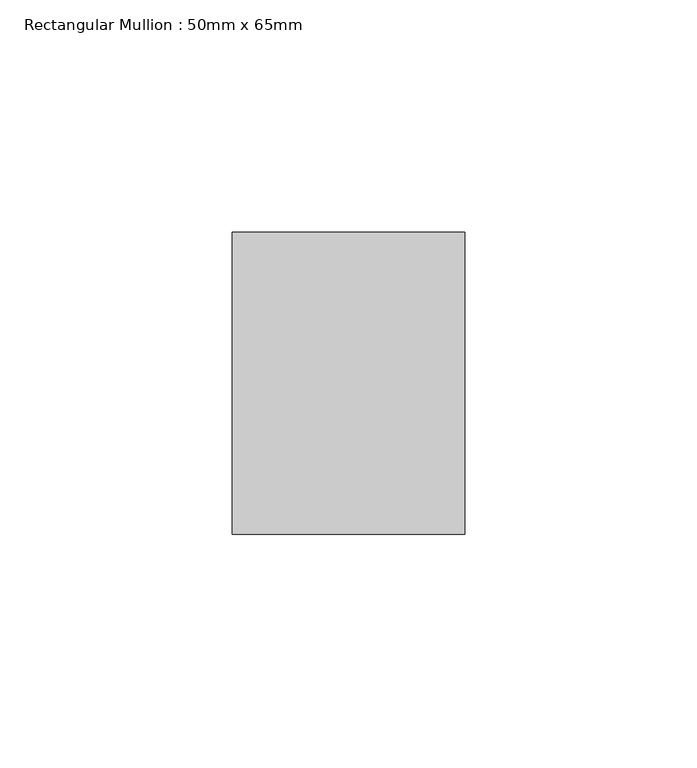
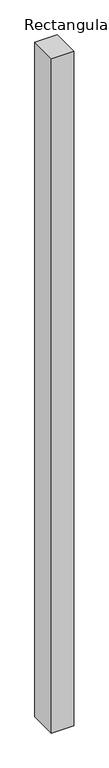
"""IFC4 building model written with IfcOpenShell, lengths in millimetres: member geometry, Rectangular Mullion : 50mm x 65mm."""

from ifc_helpers import new_model, si_unit, frame, origin, place, context, project, spatial, polyline, outline, extrude, source, transform, mapped, element, save


def rectangular_mullion_50mm_x_65mm_0038ea8a(model_context):
    return source(origin(), model_context, "Body", "SweptSolid", [
        extrude(outline(polyline([(25.0, 32.5), (25.0, -32.5), (-25.0, -32.5), (-25.0, 32.5), (25.0, 32.5)])), frame((0.0, 0.0, -1612.964709), z_axis=(0.0, 0.0, 1.0), x_axis=(1.0, 0.0, 0.0)), (0.0, 0.0, 1.0), 1612.964709),
    ])


if __name__ == "__main__":
    model = new_model("IFC4")
    model_context = context("Model", 3, world=origin())
    ifc_project = project(units=[si_unit("LENGTHUNIT", "METRE", prefix="MILLI")], contexts=[model_context])
    site = spatial("IfcSite", under=ifc_project)
    building = spatial("IfcBuilding", under=site)
    placement = place(None, origin())
    rectangular_mullion_50mm_x_65mm_shape = rectangular_mullion_50mm_x_65mm_0038ea8a(model_context)
    element("IfcMember", 1, ObjectType="Rectangular Mullion : 50mm x 65mm", at=placement, inside=building, context=model_context, shape_type="MappedRepresentation", body=[
        mapped(rectangular_mullion_50mm_x_65mm_shape, transform((0.0, 0.0, 0.0), x_axis=(1.0, 0.0, 0.0), y_axis=(0.0, 1.0, 0.0), z_axis=(0.0, 0.0, 1.0))),
    ])
    save(model, "model.ifc")
